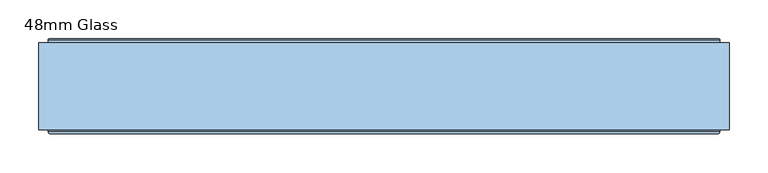
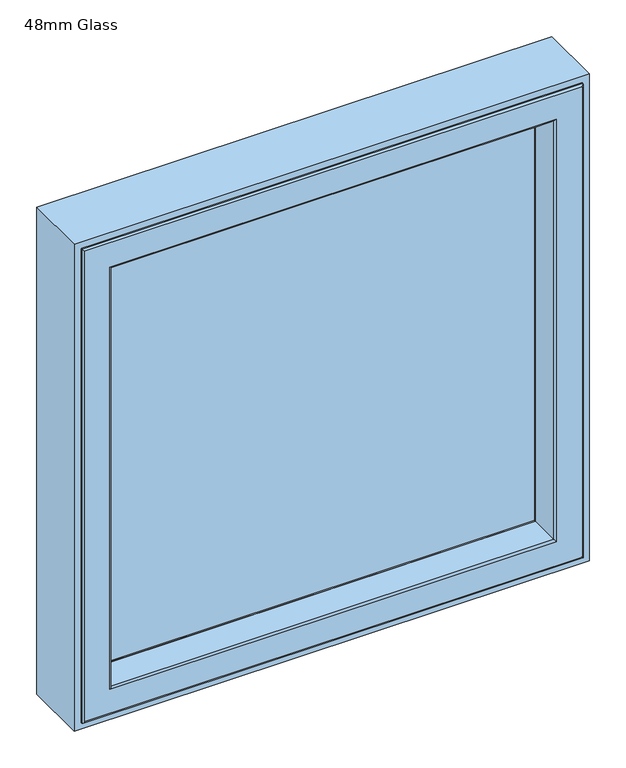
"""IFC4 building model written with IfcOpenShell, lengths in millimetres: window geometry, 48mm Glass."""

from ifc_helpers import new_model, si_unit, frame, origin, place, context, project, spatial, polyline, ellipse_curve, outline, extrude, source, transform, mapped, element, save
from ifc_brep_helpers import plane_surface, cylinder_surface, revolved_surface, advanced_brep


def window_48mm_glass_a835d034(model_context):
    return source(origin(), model_context, "Body", "SolidModel", [
        extrude(outline(polyline([(396.0, 93.0), (-396.0, 93.0), (-396.0, 141.0), (396.0, 141.0), (396.0, 93.0)])), frame((0.0, 0.0, 848.0), z_axis=(0.0, 0.0, 1.0), x_axis=(1.0, 0.0, 0.0)), (0.0, 0.0, 1.0), 792.0),
        advanced_brep(
        [(382.0, 142.3448353, 1626.0), (384.8884017, 151.7923717, 1628.8884017), (384.8884017, 151.7923717, 859.1115983), (382.0, 142.3448353, 862.0), (382.0, 141.0, 1626.0), (382.0, 141.0, 862.0), (396.0, 93.0, 1640.0), (396.0, 141.0, 1640.0), (396.0, 141.0, 848.0), (396.0, 93.0, 848.0), (382.0, 90.0, 1626.0), (382.0, 93.0, 1626.0), (382.0, 93.0, 862.0), (382.0, 90.0, 862.0), (406.822025, 145.5609347, 1650.822025), (400.0, 90.0, 1644.0), (400.0, 90.0, 844.0), (406.822025, 145.5609347, 837.177975), (407.6, 147.2, 1651.6), (407.6, 147.2, 836.4), (407.6, 150.5, 1651.6), (407.6, 150.5, 836.4), (403.22, 151.5, 1647.22), (403.22, 150.5, 1647.22), (403.22, 150.5, 840.78), (403.22, 151.5, 840.78), (402.22, 152.5, 1646.22), (402.22, 152.5, 841.78), (385.8447065, 152.5, 1629.8447065), (385.8447065, 152.5, 858.1552935), (-384.8884017, 151.7923717, 859.1115983), (-382.0, 142.3448353, 862.0), (-382.0, 141.0, 862.0), (-396.0, 141.0, 848.0), (-396.0, 93.0, 848.0), (-382.0, 93.0, 862.0), (-382.0, 90.0, 862.0), (-400.0, 90.0, 844.0), (-406.822025, 145.5609347, 837.177975), (-407.6, 147.2, 836.4), (-407.6, 150.5, 836.4), (-403.22, 150.5, 840.78), (-403.22, 151.5, 840.78), (-402.22, 152.5, 841.78), (-385.8447065, 152.5, 858.1552935), (-384.8884017, 151.7923717, 1628.8884017), (-382.0, 142.3448353, 1626.0), (-382.0, 141.0, 1626.0), (-396.0, 141.0, 1640.0), (-396.0, 93.0, 1640.0), (-382.0, 93.0, 1626.0), (-382.0, 90.0, 1626.0), (-400.0, 90.0, 1644.0), (-406.822025, 145.5609347, 1650.822025), (-407.6, 147.2, 1651.6), (-407.6, 150.5, 1651.6), (-403.22, 150.5, 1647.22), (-403.22, 151.5, 1647.22), (-402.22, 152.5, 1646.22), (-385.8447065, 152.5, 1629.8447065)],
        [
            (0, 1),
            (1, 2),
            (2, 3),
            (3, 0),
            (4, 0),
            (3, 5),
            (5, 4),
            (6, 7),
            (7, 8),
            (8, 9),
            (9, 6),
            (10, 11),
            (11, 12),
            (12, 13),
            (13, 10),
            (14, 15),
            (15, 16),
            (16, 17),
            (17, 14),
            (18, 14),
            (17, 19),
            (19, 18),
            (20, 18),
            (19, 21),
            (21, 20),
            (22, 23),
            (23, 24),
            (24, 25),
            (25, 22),
            (26, 22, ellipse_curve(frame((402.22, 151.5, 1646.22), z_axis=(0.7071067811865475, 0.0, -0.7071067811865475), x_axis=(0.7071067811865474, 0.0, 0.7071067811865476)), 1.4142136, 1.0)),
            (25, 27, ellipse_curve(frame((402.22, 151.5, 841.78), z_axis=(0.7071067811865475, 0.0, 0.7071067811865475), x_axis=(-0.7071067811865474, 0.0, 0.7071067811865476)), 1.4142136, 1.0)),
            (27, 26),
            (1, 28, ellipse_curve(frame((385.8447065, 151.5, 1629.8447065), z_axis=(0.7071067811865475, 0.0, -0.7071067811865475), x_axis=(0.7071067811865474, 0.0, 0.7071067811865476)), 1.4142136, 1.0)),
            (28, 29),
            (29, 2, ellipse_curve(frame((385.8447065, 151.5, 858.1552935), z_axis=(0.7071067811865475, 0.0, 0.7071067811865475), x_axis=(-0.7071067811865474, 0.0, 0.7071067811865476)), 1.4142136, 1.0)),
            (2, 30),
            (30, 31),
            (31, 3),
            (31, 32),
            (32, 5),
            (8, 33),
            (33, 34),
            (34, 9),
            (12, 35),
            (35, 36),
            (36, 13),
            (16, 37),
            (37, 38),
            (38, 17),
            (38, 39),
            (39, 19),
            (39, 40),
            (40, 21),
            (24, 41),
            (41, 42),
            (42, 25),
            (42, 43, ellipse_curve(frame((-402.22, 151.5, 841.78), z_axis=(0.7071067811865475, 0.0, -0.7071067811865475), x_axis=(0.7071067811865476, 0.0, 0.7071067811865474)), 1.4142136, 1.0)),
            (43, 27),
            (29, 44),
            (44, 30, ellipse_curve(frame((-385.8447065, 151.5, 858.1552935), z_axis=(0.7071067811865475, 0.0, -0.7071067811865475), x_axis=(0.7071067811865476, 0.0, 0.7071067811865474)), 1.4142136, 1.0)),
            (30, 45),
            (45, 46),
            (46, 31),
            (46, 47),
            (47, 32),
            (33, 48),
            (48, 49),
            (49, 34),
            (35, 50),
            (50, 51),
            (51, 36),
            (37, 52),
            (52, 53),
            (53, 38),
            (53, 54),
            (54, 39),
            (54, 55),
            (55, 40),
            (41, 56),
            (56, 57),
            (57, 42),
            (57, 58, ellipse_curve(frame((-402.22, 151.5, 1646.22), z_axis=(-0.7071067811865475, 0.0, -0.7071067811865475), x_axis=(0.7071067811865474, 0.0, -0.7071067811865476)), 1.4142136, 1.0)),
            (58, 43),
            (44, 59),
            (59, 45, ellipse_curve(frame((-385.8447065, 151.5, 1629.8447065), z_axis=(-0.7071067811865475, 0.0, -0.7071067811865475), x_axis=(0.7071067811865474, 0.0, -0.7071067811865476)), 1.4142136, 1.0)),
            (45, 1),
            (0, 46),
            (4, 47),
            (7, 48),
            (6, 49),
            (11, 50),
            (10, 51),
            (15, 52),
            (14, 53),
            (18, 54),
            (20, 55),
            (23, 56),
            (22, 57),
            (26, 58),
            (28, 59),
        ],
        [
            plane_surface(frame((384.8884017, 151.7923717, 1628.8884017), z_axis=(-0.9563047559630347, 0.29237170472273977, 0.0), x_axis=(0.0, 0.0, -1.0))),
            plane_surface(frame((382.0, 142.3448353, 1626.0), z_axis=(-1.0, 0.0, 0.0), x_axis=(0.0, 0.0, -1.0))),
            plane_surface(frame((396.0, 141.0, 1640.0), z_axis=(-1.0, 0.0, 0.0), x_axis=(0.0, 0.0, -1.0))),
            plane_surface(frame((382.0, 93.0, 1626.0), z_axis=(-1.0, 0.0, 0.0), x_axis=(0.0, 0.0, -1.0))),
            plane_surface(frame((400.0, 90.0, 1644.0), z_axis=(0.9925461516413231, -0.12186934340513905, 0.0), x_axis=(0.0, 0.0, -1.0))),
            plane_surface(frame((406.822025, 145.5609347, 1650.822025), z_axis=(0.9034015732556399, -0.4287955193786835, 0.0), x_axis=(0.0, 0.0, -1.0))),
            plane_surface(frame((407.6, 147.2, 1651.6), z_axis=(1.0, 0.0, 0.0), x_axis=(0.0, 0.0, -1.0))),
            plane_surface(frame((403.22, 150.5, 1647.22), z_axis=(1.0, 0.0, 0.0), x_axis=(0.0, 0.0, -1.0))),
            cylinder_surface(frame((402.22, 151.5, 1676.0), z_axis=(0.0, 0.0, 1.0), x_axis=(0.0, -1.0, 0.0)), 1.0),
            cylinder_surface(frame((385.8447065, 151.5, 1676.0), z_axis=(0.0, 0.0, 1.0), x_axis=(0.0, -1.0, 0.0)), 1.0),
            plane_surface(frame((384.8884017, 151.7923717, 859.1115983), z_axis=(0.0, 0.29237170472273977, 0.9563047559630347), x_axis=(-1.0, 0.0, 0.0))),
            plane_surface(frame((382.0, 142.3448353, 862.0), z_axis=(0.0, 0.0, 1.0), x_axis=(-1.0, 0.0, 0.0))),
            plane_surface(frame((396.0, 141.0, 848.0), z_axis=(0.0, 0.0, 1.0), x_axis=(-1.0, 0.0, 0.0))),
            plane_surface(frame((382.0, 93.0, 862.0), z_axis=(0.0, 0.0, 1.0), x_axis=(-1.0, 0.0, 0.0))),
            plane_surface(frame((400.0, 90.0, 844.0), z_axis=(0.0, -0.12186934340513905, -0.9925461516413231), x_axis=(-1.0, 0.0, 0.0))),
            plane_surface(frame((406.822025, 145.5609347, 837.177975), z_axis=(0.0, -0.4287955193786835, -0.9034015732556399), x_axis=(-1.0, 0.0, 0.0))),
            plane_surface(frame((407.6, 147.2, 836.4), z_axis=(0.0, 0.0, -1.0), x_axis=(-1.0, 0.0, 0.0))),
            plane_surface(frame((403.22, 150.5, 840.78), z_axis=(0.0, 0.0, -1.0), x_axis=(-1.0, 0.0, 0.0))),
            cylinder_surface(frame((432.0, 151.5, 841.78), z_axis=(1.0, 0.0, 0.0), x_axis=(0.0, -1.0, 0.0)), 1.0),
            cylinder_surface(frame((432.0, 151.5, 858.1552935), z_axis=(1.0, 0.0, 0.0), x_axis=(0.0, -1.0, 0.0)), 1.0),
            plane_surface(frame((-384.8884017, 151.7923717, 859.1115983), z_axis=(0.9563047559630347, 0.29237170472273977, 0.0), x_axis=(0.0, 0.0, 1.0))),
            plane_surface(frame((-382.0, 142.3448353, 862.0), z_axis=(1.0, 0.0, 0.0), x_axis=(0.0, 0.0, 1.0))),
            plane_surface(frame((-396.0, 141.0, 848.0), z_axis=(1.0, 0.0, 0.0), x_axis=(0.0, 0.0, 1.0))),
            plane_surface(frame((-382.0, 93.0, 862.0), z_axis=(1.0, 0.0, 0.0), x_axis=(0.0, 0.0, 1.0))),
            plane_surface(frame((-400.0, 90.0, 844.0), z_axis=(-0.9925461516413231, -0.12186934340513905, 0.0), x_axis=(0.0, 0.0, 1.0))),
            plane_surface(frame((-406.822025, 145.5609347, 837.177975), z_axis=(-0.9034015732556399, -0.4287955193786835, 0.0), x_axis=(0.0, 0.0, 1.0))),
            plane_surface(frame((-407.6, 147.2, 836.4), z_axis=(-1.0, 0.0, 0.0), x_axis=(0.0, 0.0, 1.0))),
            plane_surface(frame((-403.22, 150.5, 840.78), z_axis=(-1.0, 0.0, 0.0), x_axis=(0.0, 0.0, 1.0))),
            cylinder_surface(frame((-402.22, 151.5, 812.0), z_axis=(0.0, 0.0, -1.0), x_axis=(0.0, -1.0, 0.0)), 1.0),
            cylinder_surface(frame((-385.8447065, 151.5, 812.0), z_axis=(0.0, 0.0, -1.0), x_axis=(0.0, -1.0, 0.0)), 1.0),
            plane_surface(frame((-384.8884017, 151.7923717, 1628.8884017), z_axis=(0.0, 0.29237170472273977, -0.9563047559630347), x_axis=(1.0, 0.0, 0.0))),
            plane_surface(frame((-382.0, 142.3448353, 1626.0), z_axis=(0.0, 0.0, -1.0), x_axis=(1.0, 0.0, 0.0))),
            plane_surface(frame((-382.0, 141.0, 1626.0), z_axis=(0.0, -1.0, 0.0), x_axis=(1.0, 0.0, 0.0))),
            plane_surface(frame((-396.0, 141.0, 1640.0), z_axis=(0.0, 0.0, -1.0), x_axis=(1.0, 0.0, 0.0))),
            plane_surface(frame((-396.0, 93.0, 1640.0), z_axis=(0.0, 1.0, 0.0), x_axis=(1.0, 0.0, 0.0))),
            plane_surface(frame((-382.0, 93.0, 1626.0), z_axis=(0.0, 0.0, -1.0), x_axis=(1.0, 0.0, 0.0))),
            plane_surface(frame((-382.0, 90.0, 1626.0), z_axis=(0.0, -1.0, 0.0), x_axis=(1.0, 0.0, 0.0))),
            plane_surface(frame((-400.0, 90.0, 1644.0), z_axis=(0.0, -0.12186934340513905, 0.9925461516413231), x_axis=(1.0, 0.0, 0.0))),
            plane_surface(frame((-406.822025, 145.5609347, 1650.822025), z_axis=(0.0, -0.4287955193786835, 0.9034015732556399), x_axis=(1.0, 0.0, 0.0))),
            plane_surface(frame((-407.6, 147.2, 1651.6), z_axis=(0.0, 0.0, 1.0), x_axis=(1.0, 0.0, 0.0))),
            plane_surface(frame((-407.6, 150.5, 1651.6), z_axis=(0.0, 1.0, 0.0), x_axis=(1.0, 0.0, 0.0))),
            plane_surface(frame((-403.22, 150.5, 1647.22), z_axis=(0.0, 0.0, 1.0), x_axis=(1.0, 0.0, 0.0))),
            cylinder_surface(frame((-432.0, 151.5, 1646.22), z_axis=(-1.0, 0.0, 0.0), x_axis=(0.0, -1.0, 0.0)), 1.0),
            plane_surface(frame((-402.22, 152.5, 1646.22), z_axis=(0.0, 1.0, 0.0), x_axis=(1.0, 0.0, 0.0))),
            cylinder_surface(frame((-432.0, 151.5, 1629.8447065), z_axis=(-1.0, 0.0, 0.0), x_axis=(0.0, -1.0, 0.0)), 1.0),
        ],
        [
            (0, [[1, 2, 3, 4]]),
            (1, [[5, -4, 6, 7]]),
            (2, [[8, 9, 10, 11]]),
            (3, [[12, 13, 14, 15]]),
            (4, [[16, 17, 18, 19]]),
            (5, [[20, -19, 21, 22]]),
            (6, [[23, -22, 24, 25]]),
            (7, [[26, 27, 28, 29]]),
            (8, [[30, -29, 31, 32]]),
            (9, [[33, 34, 35, -2]]),
            (10, [[-3, 36, 37, 38]]),
            (11, [[-6, -38, 39, 40]]),
            (12, [[-10, 41, 42, 43]]),
            (13, [[-14, 44, 45, 46]]),
            (14, [[-18, 47, 48, 49]]),
            (15, [[-21, -49, 50, 51]]),
            (16, [[-24, -51, 52, 53]]),
            (17, [[-28, 54, 55, 56]]),
            (18, [[-31, -56, 57, 58]]),
            (19, [[-35, 59, 60, -36]]),
            (20, [[-37, 61, 62, 63]]),
            (21, [[-39, -63, 64, 65]]),
            (22, [[-42, 66, 67, 68]]),
            (23, [[-45, 69, 70, 71]]),
            (24, [[-48, 72, 73, 74]]),
            (25, [[-50, -74, 75, 76]]),
            (26, [[-52, -76, 77, 78]]),
            (27, [[-55, 79, 80, 81]]),
            (28, [[-57, -81, 82, 83]]),
            (29, [[-60, 84, 85, -61]]),
            (30, [[-62, 86, -1, 87]]),
            (31, [[-64, -87, -5, 88]]),
            (32, [[89, -66, -41, -9], [-40, -65, -88, -7]]),
            (33, [[-67, -89, -8, 90]]),
            (34, [[-43, -68, -90, -11], [91, -69, -44, -13]]),
            (35, [[-70, -91, -12, 92]]),
            (36, [[93, -72, -47, -17], [-46, -71, -92, -15]]),
            (37, [[-73, -93, -16, 94]]),
            (38, [[-75, -94, -20, 95]]),
            (39, [[-77, -95, -23, 96]]),
            (40, [[-53, -78, -96, -25], [97, -79, -54, -27]]),
            (41, [[-80, -97, -26, 98]]),
            (42, [[-82, -98, -30, 99]]),
            (43, [[-58, -83, -99, -32], [100, -84, -59, -34]]),
            (44, [[-85, -100, -33, -86]]),
        ],
    ),
        advanced_brep(
        [(-383.5, 91.0, 1627.5), (-382.0, 89.5, 1626.0), (-382.0, 89.5, 862.0), (-383.5, 91.0, 860.5), (-382.0, 35.0, 1626.0), (-382.0, 35.0, 862.0), (382.0, 89.5, 862.0), (383.5, 91.0, 860.5), (398.6498733, 91.0, 1642.6498733), (398.6498733, 91.0, 845.3501267), (-398.6498733, 91.0, 845.3501267), (-398.6498733, 91.0, 1642.6498733), (383.5, 91.0, 1627.5), (-400.1386925, 92.317196, 1644.1386925), (-400.1386925, 92.317196, 843.8613075), (400.1386925, 92.317196, 843.8613075), (-406.7857488, 146.453125, 1650.7857488), (-406.7857488, 146.453125, 837.2142512), (406.7857488, 146.453125, 837.2142512), (407.6, 146.453125, 1651.6), (407.6, 146.453125, 836.4), (-407.6, 146.453125, 836.4), (-407.6, 146.453125, 1651.6), (406.7857488, 146.453125, 1650.7857488), (-407.6, 153.0, 1651.6), (-407.6, 153.0, 836.4), (407.6, 153.0, 836.4), (-408.6, 154.0, 1652.6), (-408.6, 154.0, 835.4), (408.6, 154.0, 835.4), (431.0, 154.0, 1675.0), (431.0, 154.0, 813.0), (-431.0, 154.0, 813.0), (-431.0, 154.0, 1675.0), (408.6, 154.0, 1652.6), (-432.0, 153.0, 1676.0), (-432.0, 153.0, 812.0), (432.0, 153.0, 812.0), (-432.0, 35.0, 1676.0), (-432.0, 35.0, 812.0), (432.0, 35.0, 812.0), (-429.0, 32.0, 1673.0), (-429.0, 32.0, 815.0), (429.0, 32.0, 815.0), (429.0, 32.0, 1673.0), (385.0, 32.0, 1629.0), (385.0, 32.0, 859.0), (-385.0, 32.0, 859.0), (-385.0, 32.0, 1629.0), (382.0, 35.0, 862.0), (382.0, 89.5, 1626.0), (400.1386925, 92.317196, 1644.1386925), (407.6, 153.0, 1651.6), (432.0, 153.0, 1676.0), (432.0, 35.0, 1676.0), (382.0, 35.0, 1626.0)],
        [
            (0, 1, ellipse_curve(frame((-383.5, 89.5, 1627.5), z_axis=(-0.7071067811865475, 0.0, -0.7071067811865475), x_axis=(-0.7071067811865474, 0.0, 0.7071067811865476)), 2.1213203, 1.5)),
            (1, 2),
            (2, 3, ellipse_curve(frame((-383.5, 89.5, 860.5), z_axis=(-0.7071067811865475, 0.0, 0.7071067811865475), x_axis=(0.7071067811865474, 0.0, 0.7071067811865476)), 2.1213203, 1.5)),
            (3, 0),
            (1, 4),
            (4, 5),
            (5, 2),
            (2, 6),
            (6, 7, ellipse_curve(frame((383.5, 89.5, 860.5), z_axis=(-0.7071067811865475, 0.0, -0.7071067811865475), x_axis=(-0.7071067811865476, 0.0, 0.7071067811865474)), 2.1213203, 1.5)),
            (7, 3),
            (8, 9),
            (9, 10),
            (10, 11),
            (11, 8),
            (7, 12),
            (12, 0),
            (13, 11, ellipse_curve(frame((-398.6498733, 92.5, 1642.6498733), z_axis=(0.7071067811865475, 0.0, 0.7071067811865475), x_axis=(0.7071067811865474, 0.0, -0.7071067811865476)), 2.1213203, 1.5)),
            (10, 14, ellipse_curve(frame((-398.6498733, 92.5, 845.3501267), z_axis=(0.7071067811865475, 0.0, -0.7071067811865475), x_axis=(-0.7071067811865474, 0.0, -0.7071067811865476)), 2.1213203, 1.5)),
            (14, 13),
            (9, 15, ellipse_curve(frame((398.6498733, 92.5, 845.3501267), z_axis=(0.7071067811865475, 0.0, 0.7071067811865475), x_axis=(0.7071067811865476, 0.0, -0.7071067811865474)), 2.1213203, 1.5)),
            (15, 14),
            (16, 13),
            (14, 17),
            (17, 16),
            (15, 18),
            (18, 17),
            (19, 20),
            (20, 21),
            (21, 22),
            (22, 19),
            (18, 23),
            (23, 16),
            (24, 22),
            (21, 25),
            (25, 24),
            (20, 26),
            (26, 25),
            (27, 24, ellipse_curve(frame((-408.6, 153.0, 1652.6), z_axis=(-0.7071067811865475, 0.0, -0.7071067811865475), x_axis=(-0.7071067811865474, 0.0, 0.7071067811865476)), 1.4142136, 1.0)),
            (25, 28, ellipse_curve(frame((-408.6, 153.0, 835.4), z_axis=(-0.7071067811865475, 0.0, 0.7071067811865475), x_axis=(0.7071067811865474, 0.0, 0.7071067811865476)), 1.4142136, 1.0)),
            (28, 27),
            (26, 29, ellipse_curve(frame((408.6, 153.0, 835.4), z_axis=(-0.7071067811865475, 0.0, -0.7071067811865475), x_axis=(-0.7071067811865476, 0.0, 0.7071067811865474)), 1.4142136, 1.0)),
            (29, 28),
            (30, 31),
            (31, 32),
            (32, 33),
            (33, 30),
            (29, 34),
            (34, 27),
            (35, 33, ellipse_curve(frame((-431.0, 153.0, 1675.0), z_axis=(-0.7071067811865475, 0.0, -0.7071067811865475), x_axis=(-0.7071067811865474, 0.0, 0.7071067811865476)), 1.4142136, 1.0)),
            (32, 36, ellipse_curve(frame((-431.0, 153.0, 813.0), z_axis=(-0.7071067811865475, 0.0, 0.7071067811865475), x_axis=(0.7071067811865474, 0.0, 0.7071067811865476)), 1.4142136, 1.0)),
            (36, 35),
            (31, 37, ellipse_curve(frame((431.0, 153.0, 813.0), z_axis=(-0.7071067811865475, 0.0, -0.7071067811865475), x_axis=(-0.7071067811865476, 0.0, 0.7071067811865474)), 1.4142136, 1.0)),
            (37, 36),
            (38, 35),
            (36, 39),
            (39, 38),
            (37, 40),
            (40, 39),
            (41, 38, ellipse_curve(frame((-429.0, 35.0, 1673.0), z_axis=(-0.7071067811865475, 0.0, -0.7071067811865475), x_axis=(-0.7071067811865474, 0.0, 0.7071067811865476)), 4.2426407, 3.0)),
            (39, 42, ellipse_curve(frame((-429.0, 35.0, 815.0), z_axis=(-0.7071067811865475, 0.0, 0.7071067811865475), x_axis=(0.7071067811865474, 0.0, 0.7071067811865476)), 4.2426407, 3.0)),
            (42, 41),
            (40, 43, ellipse_curve(frame((429.0, 35.0, 815.0), z_axis=(-0.7071067811865475, 0.0, -0.7071067811865475), x_axis=(-0.7071067811865476, 0.0, 0.7071067811865474)), 4.2426407, 3.0)),
            (43, 42),
            (43, 44),
            (44, 41),
            (45, 46),
            (46, 47),
            (47, 48),
            (48, 45),
            (4, 48, ellipse_curve(frame((-385.0, 35.0, 1629.0), z_axis=(-0.7071067811865475, 0.0, -0.7071067811865475), x_axis=(-0.7071067811865474, 0.0, 0.7071067811865476)), 4.2426407, 3.0)),
            (47, 5, ellipse_curve(frame((-385.0, 35.0, 859.0), z_axis=(-0.7071067811865475, 0.0, 0.7071067811865475), x_axis=(0.7071067811865474, 0.0, 0.7071067811865476)), 4.2426407, 3.0)),
            (46, 49, ellipse_curve(frame((385.0, 35.0, 859.0), z_axis=(-0.7071067811865475, 0.0, -0.7071067811865475), x_axis=(-0.7071067811865476, 0.0, 0.7071067811865474)), 4.2426407, 3.0)),
            (49, 5),
            (49, 6),
            (6, 50),
            (50, 12, ellipse_curve(frame((383.5, 89.5, 1627.5), z_axis=(0.7071067811865475, 0.0, -0.7071067811865475), x_axis=(-0.7071067811865474, 0.0, -0.7071067811865476)), 2.1213203, 1.5)),
            (8, 51, ellipse_curve(frame((398.6498733, 92.5, 1642.6498733), z_axis=(-0.7071067811865475, 0.0, 0.7071067811865475), x_axis=(0.7071067811865474, 0.0, 0.7071067811865476)), 2.1213203, 1.5)),
            (51, 15),
            (51, 23),
            (19, 52),
            (52, 26),
            (52, 34, ellipse_curve(frame((408.6, 153.0, 1652.6), z_axis=(0.7071067811865475, 0.0, -0.7071067811865475), x_axis=(-0.7071067811865474, 0.0, -0.7071067811865476)), 1.4142136, 1.0)),
            (30, 53, ellipse_curve(frame((431.0, 153.0, 1675.0), z_axis=(0.7071067811865475, 0.0, -0.7071067811865475), x_axis=(-0.7071067811865474, 0.0, -0.7071067811865476)), 1.4142136, 1.0)),
            (53, 37),
            (53, 54),
            (54, 40),
            (54, 44, ellipse_curve(frame((429.0, 35.0, 1673.0), z_axis=(0.7071067811865475, 0.0, -0.7071067811865475), x_axis=(-0.7071067811865474, 0.0, -0.7071067811865476)), 4.2426407, 3.0)),
            (45, 55, ellipse_curve(frame((385.0, 35.0, 1629.0), z_axis=(0.7071067811865475, 0.0, -0.7071067811865475), x_axis=(-0.7071067811865474, 0.0, -0.7071067811865476)), 4.2426407, 3.0)),
            (55, 49),
            (55, 50),
            (50, 1),
            (13, 51),
            (24, 52),
            (35, 53),
            (38, 54),
            (4, 55),
        ],
        [
            cylinder_surface(frame((-383.5, 89.5, 1688.0), z_axis=(0.0, 0.0, 1.0), x_axis=(0.0, 1.0, 0.0)), 1.5),
            plane_surface(frame((-382.0, 35.0, 1626.0), z_axis=(1.0, 0.0, 0.0), x_axis=(0.0, 0.0, -1.0))),
            cylinder_surface(frame((-444.0, 89.5, 860.5), z_axis=(-1.0, 0.0, 0.0), x_axis=(0.0, 1.0, 0.0)), 1.5),
            plane_surface(frame((383.5, 91.0, 860.5), z_axis=(0.0, 1.0, 0.0), x_axis=(0.0, 0.0, 1.0))),
            revolved_surface(polyline([(-398.6498733, 94.0, 843.8501267308013), (-398.6498733, 94.0, 1644.1498732691987)]), (-398.6498733, 92.5, 1688.0), (0.0, 0.0, -1.0)),
            revolved_surface(polyline([(400.1498732691988, 94.0, 845.3501267), (-400.1498732691987, 94.0, 845.3501267)]), (-444.0, 92.5, 845.3501267), (1.0, 0.0, 0.0)),
            plane_surface(frame((-400.1386925, 92.317196, 1644.1386925), z_axis=(0.9925461516413234, 0.12186934340513697, 0.0), x_axis=(0.0, 0.0, -1.0))),
            plane_surface(frame((-400.1386925, 92.317196, 843.8613075), z_axis=(0.0, 0.12186934340513697, 0.9925461516413234), x_axis=(1.0, 0.0, 0.0))),
            plane_surface(frame((406.7857488, 146.453125, 837.2142512), z_axis=(0.0, 1.0, 0.0), x_axis=(0.0, 0.0, 1.0))),
            plane_surface(frame((-407.6, 146.453125, 1651.6), z_axis=(1.0, 0.0, 0.0), x_axis=(0.0, 0.0, -1.0))),
            plane_surface(frame((-407.6, 146.453125, 836.4), z_axis=(0.0, 0.0, 1.0), x_axis=(1.0, 0.0, 0.0))),
            cylinder_surface(frame((-408.6, 153.0, 1688.0), z_axis=(0.0, 0.0, 1.0), x_axis=(0.0, 1.0, 0.0)), 1.0),
            cylinder_surface(frame((-444.0, 153.0, 835.4), z_axis=(-1.0, 0.0, 0.0), x_axis=(0.0, 1.0, 0.0)), 1.0),
            plane_surface(frame((408.6, 154.0, 835.4), z_axis=(0.0, 1.0, 0.0), x_axis=(0.0, 0.0, 1.0))),
            cylinder_surface(frame((-431.0, 153.0, 1688.0), z_axis=(0.0, 0.0, 1.0), x_axis=(0.0, 1.0, 0.0)), 1.0),
            cylinder_surface(frame((-444.0, 153.0, 813.0), z_axis=(-1.0, 0.0, 0.0), x_axis=(0.0, 1.0, 0.0)), 1.0),
            plane_surface(frame((-432.0, 153.0, 1676.0), z_axis=(-1.0, 0.0, 0.0), x_axis=(0.0, 0.0, -1.0))),
            plane_surface(frame((-432.0, 153.0, 812.0), z_axis=(0.0, 0.0, -1.0), x_axis=(1.0, 0.0, 0.0))),
            cylinder_surface(frame((-429.0, 35.0, 1688.0), z_axis=(0.0, 0.0, 1.0), x_axis=(0.0, 1.0, 0.0)), 3.0),
            cylinder_surface(frame((-444.0, 35.0, 815.0), z_axis=(-1.0, 0.0, 0.0), x_axis=(0.0, 1.0, 0.0)), 3.0),
            plane_surface(frame((429.0, 32.0, 815.0), z_axis=(0.0, -1.0, 0.0), x_axis=(0.0, 0.0, 1.0))),
            cylinder_surface(frame((-385.0, 35.0, 1688.0), z_axis=(0.0, 0.0, 1.0), x_axis=(0.0, 1.0, 0.0)), 3.0),
            cylinder_surface(frame((-444.0, 35.0, 859.0), z_axis=(-1.0, 0.0, 0.0), x_axis=(0.0, 1.0, 0.0)), 3.0),
            plane_surface(frame((-382.0, 35.0, 862.0), z_axis=(0.0, 0.0, 1.0), x_axis=(1.0, 0.0, 0.0))),
            cylinder_surface(frame((383.5, 89.5, 800.0), z_axis=(0.0, 0.0, -1.0), x_axis=(0.0, 1.0, 0.0)), 1.5),
            revolved_surface(polyline([(398.6498733, 94.0, 1644.149873269199), (398.6498733, 94.0, 843.8501267308013)]), (398.6498733, 92.5, 800.0), (0.0, 0.0, 1.0)),
            plane_surface(frame((400.1386925, 92.317196, 843.8613075), z_axis=(-0.9925461516413234, 0.12186934340513697, 0.0), x_axis=(0.0, 0.0, 1.0))),
            plane_surface(frame((407.6, 146.453125, 836.4), z_axis=(-1.0, 0.0, 0.0), x_axis=(0.0, 0.0, 1.0))),
            cylinder_surface(frame((408.6, 153.0, 800.0), z_axis=(0.0, 0.0, -1.0), x_axis=(0.0, 1.0, 0.0)), 1.0),
            cylinder_surface(frame((431.0, 153.0, 800.0), z_axis=(0.0, 0.0, -1.0), x_axis=(0.0, 1.0, 0.0)), 1.0),
            plane_surface(frame((432.0, 153.0, 812.0), z_axis=(1.0, 0.0, 0.0), x_axis=(0.0, 0.0, 1.0))),
            cylinder_surface(frame((429.0, 35.0, 800.0), z_axis=(0.0, 0.0, -1.0), x_axis=(0.0, 1.0, 0.0)), 3.0),
            cylinder_surface(frame((385.0, 35.0, 800.0), z_axis=(0.0, 0.0, -1.0), x_axis=(0.0, 1.0, 0.0)), 3.0),
            plane_surface(frame((382.0, 35.0, 862.0), z_axis=(-1.0, 0.0, 0.0), x_axis=(0.0, 0.0, 1.0))),
            cylinder_surface(frame((444.0, 89.5, 1627.5), z_axis=(1.0, 0.0, 0.0), x_axis=(0.0, 1.0, 0.0)), 1.5),
            revolved_surface(polyline([(-400.1498732691988, 94.0, 1642.6498733), (400.1498732691987, 94.0, 1642.6498733)]), (444.0, 92.5, 1642.6498733), (-1.0, 0.0, 0.0)),
            plane_surface(frame((400.1386925, 92.317196, 1644.1386925), z_axis=(0.0, 0.12186934340513697, -0.9925461516413234), x_axis=(-1.0, 0.0, 0.0))),
            plane_surface(frame((407.6, 146.453125, 1651.6), z_axis=(0.0, 0.0, -1.0), x_axis=(-1.0, 0.0, 0.0))),
            cylinder_surface(frame((444.0, 153.0, 1652.6), z_axis=(1.0, 0.0, 0.0), x_axis=(0.0, 1.0, 0.0)), 1.0),
            cylinder_surface(frame((444.0, 153.0, 1675.0), z_axis=(1.0, 0.0, 0.0), x_axis=(0.0, 1.0, 0.0)), 1.0),
            plane_surface(frame((432.0, 153.0, 1676.0), z_axis=(0.0, 0.0, 1.0), x_axis=(-1.0, 0.0, 0.0))),
            cylinder_surface(frame((444.0, 35.0, 1673.0), z_axis=(1.0, 0.0, 0.0), x_axis=(0.0, 1.0, 0.0)), 3.0),
            cylinder_surface(frame((444.0, 35.0, 1629.0), z_axis=(1.0, 0.0, 0.0), x_axis=(0.0, 1.0, 0.0)), 3.0),
            plane_surface(frame((382.0, 35.0, 1626.0), z_axis=(0.0, 0.0, -1.0), x_axis=(-1.0, 0.0, 0.0))),
        ],
        [
            (0, [[1, 2, 3, 4]]),
            (1, [[5, 6, 7, -2]]),
            (2, [[-3, 8, 9, 10]]),
            (3, [[11, 12, 13, 14], [-4, -10, 15, 16]]),
            (4, [[17, -13, 18, 19]]),
            (5, [[-18, -12, 20, 21]]),
            (6, [[22, -19, 23, 24]]),
            (7, [[-23, -21, 25, 26]]),
            (8, [[27, 28, 29, 30], [-24, -26, 31, 32]]),
            (9, [[33, -29, 34, 35]]),
            (10, [[-34, -28, 36, 37]]),
            (11, [[38, -35, 39, 40]]),
            (12, [[-39, -37, 41, 42]]),
            (13, [[43, 44, 45, 46], [-40, -42, 47, 48]]),
            (14, [[49, -45, 50, 51]]),
            (15, [[-50, -44, 52, 53]]),
            (16, [[54, -51, 55, 56]]),
            (17, [[-55, -53, 57, 58]]),
            (18, [[59, -56, 60, 61]]),
            (19, [[-60, -58, 62, 63]]),
            (20, [[-61, -63, 64, 65], [66, 67, 68, 69]]),
            (21, [[70, -68, 71, -6]]),
            (22, [[-71, -67, 72, 73]]),
            (23, [[-7, -73, 74, -8]]),
            (24, [[-9, 75, 76, -15]]),
            (25, [[-20, -11, 77, 78]]),
            (26, [[-25, -78, 79, -31]]),
            (27, [[-36, -27, 80, 81]]),
            (28, [[-41, -81, 82, -47]]),
            (29, [[-52, -43, 83, 84]]),
            (30, [[-57, -84, 85, 86]]),
            (31, [[-62, -86, 87, -64]]),
            (32, [[-72, -66, 88, 89]]),
            (33, [[-74, -89, 90, -75]]),
            (34, [[-76, 91, -1, -16]]),
            (35, [[-77, -14, -17, 92]]),
            (36, [[-79, -92, -22, -32]]),
            (37, [[-80, -30, -33, 93]]),
            (38, [[-82, -93, -38, -48]]),
            (39, [[-83, -46, -49, 94]]),
            (40, [[-85, -94, -54, 95]]),
            (41, [[-87, -95, -59, -65]]),
            (42, [[-88, -69, -70, 96]]),
            (43, [[-90, -96, -5, -91]]),
        ],
    ),
        extrude(outline(polyline([(1688.0, -444.0), (800.0, -444.0), (800.0, 444.0), (1688.0, 444.0), (1688.0, -444.0)]), holes=[polyline([(1676.0, 432.0), (812.0, 432.0), (812.0, -432.0), (1676.0, -432.0), (1676.0, 432.0)])]), frame((0.0, 37.0, 0.0), z_axis=(0.0, 1.0, 0.0), x_axis=(0.0, 0.0, 1.0)), (0.0, 0.0, 1.0), 112.0),
    ])


if __name__ == "__main__":
    model = new_model("IFC4")
    model_context = context("Model", 3, world=origin())
    ifc_project = project(units=[si_unit("LENGTHUNIT", "METRE", prefix="MILLI")], contexts=[model_context])
    site = spatial("IfcSite", under=ifc_project)
    building = spatial("IfcBuilding", under=site)
    placement = place(None, origin())
    window_48mm_glass_shape = window_48mm_glass_a835d034(model_context)
    element("IfcWindow", 1, ObjectType="48mm Glass", at=placement, inside=building, context=model_context, shape_type="MappedRepresentation", body=[
        mapped(window_48mm_glass_shape, transform((0.0, 0.0, 0.0), x_axis=(1.0, 0.0, 0.0), y_axis=(0.0, 1.0, 0.0), z_axis=(0.0, 0.0, 1.0))),
    ])
    save(model, "model.ifc")
